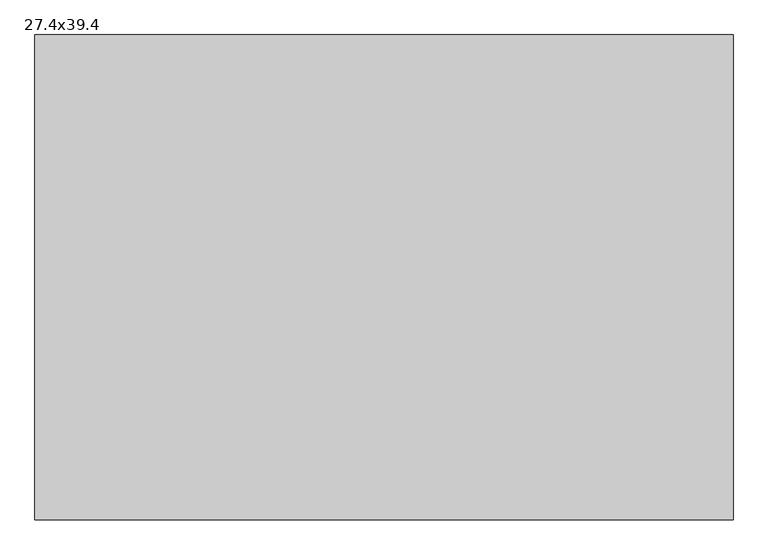
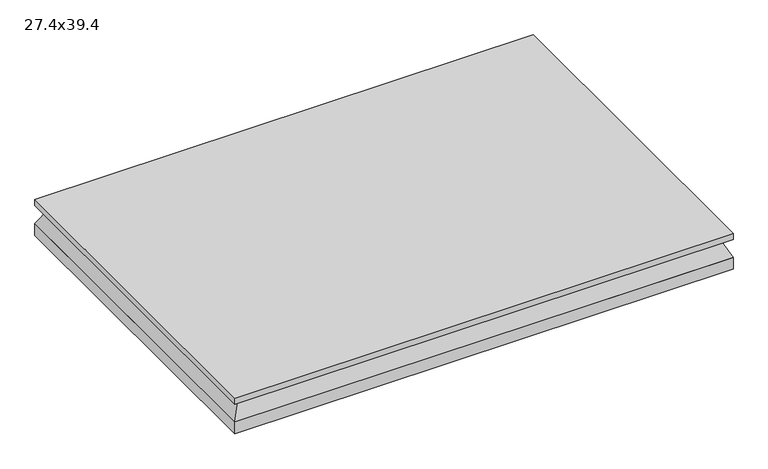
"""IFC4 building model written with IfcOpenShell, lengths in millimetres: air terminal geometry, 27.4x39.4."""

from ifc_helpers import new_model, si_unit, frame, origin, origin_with_axes, place, context, project, spatial, polyline, outline, extrude, faceted_brep, source, transform, mapped, element, save


def air_terminal_27_4x39_4_18ccd2fa(model_context):
    return source(origin(), model_context, "Body", "SolidModel", [
        faceted_brep([(-481.33, -328.93, 0.0), (481.33, -328.93, 0.0), (481.33, 328.93, 0.0), (-481.33, 328.93, 0.0), (-500.3601562, -347.9601563, -38.1), (-500.3601562, 347.9601562, -38.1), (500.3601563, 347.9601562, -38.1), (500.3601563, -347.9601563, -38.1)], [[[0, 1, 2, 3]], [[4, 5, 6, 7]], [[4, 7, 1, 0]], [[7, 6, 2, 1]], [[6, 5, 3, 2]], [[5, 4, 0, 3]]]),
        extrude(outline(polyline([(500.38, 347.98), (500.38, -347.98), (-500.38, -347.98), (-500.38, 347.98), (500.38, 347.98)])), origin_with_axes(), (0.0, 0.0, 1.0), 12.7),
        extrude(outline(polyline([(-500.3601562, 347.9601562), (500.3601563, 347.9601562), (500.3601563, -347.9601563), (-500.3601562, -347.9601563), (-500.3601562, 347.9601562)])), frame((0.0, 0.0, -63.5), z_axis=(0.0, 0.0, 1.0), x_axis=(1.0, 0.0, 0.0)), (0.0, 0.0, 1.0), 25.4),
    ])


if __name__ == "__main__":
    model = new_model("IFC4")
    model_context = context("Model", 3, world=origin())
    ifc_project = project(units=[si_unit("LENGTHUNIT", "METRE", prefix="MILLI")], contexts=[model_context])
    site = spatial("IfcSite", under=ifc_project)
    building = spatial("IfcBuilding", under=site)
    placement = place(None, origin())
    air_terminal_27_4x39_4_shape = air_terminal_27_4x39_4_18ccd2fa(model_context)
    element("IfcAirTerminal", 1, ObjectType="27.4x39.4", at=placement, inside=building, context=model_context, shape_type="MappedRepresentation", body=[
        mapped(air_terminal_27_4x39_4_shape, transform((0.0, 0.0, 0.0), x_axis=(1.0, 0.0, 0.0), y_axis=(0.0, 1.0, 0.0), z_axis=(0.0, 0.0, 1.0))),
    ])
    save(model, "model.ifc")
